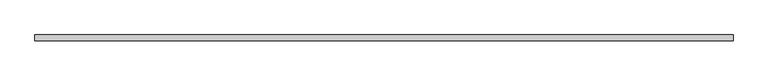
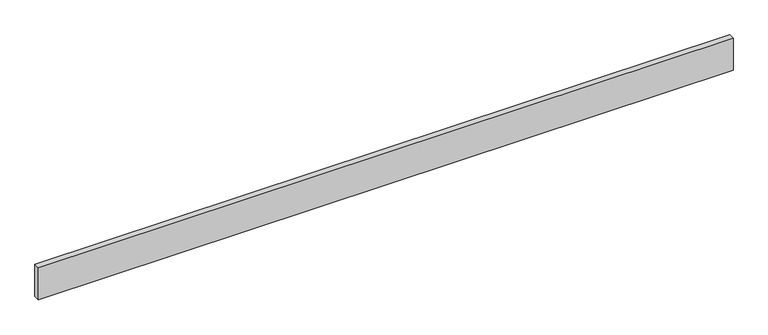
"""IFC4 building model written with IfcOpenShell, lengths in millimetres: beam geometry."""

from ifc_helpers import new_model, si_unit, frame, origin, place, context, project, spatial, polyline, outline, extrude, source, transform, mapped, element, save


def beam_fed905f6(model_context):
    return source(origin(), model_context, "Body", "SweptSolid", [
        extrude(outline(polyline([(2063.6, -18.0), (-2063.6, -18.0), (-2063.6, 18.0), (2063.6, 18.0), (2063.6, -18.0)])), frame((0.0, 0.0, -100.0), z_axis=(0.0, 0.0, 1.0), x_axis=(1.0, 0.0, 0.0)), (0.0, 0.0, 1.0), 200.0),
    ])


if __name__ == "__main__":
    model = new_model("IFC4")
    model_context = context("Model", 3, world=origin())
    ifc_project = project(units=[si_unit("LENGTHUNIT", "METRE", prefix="MILLI")], contexts=[model_context])
    site = spatial("IfcSite", under=ifc_project)
    building = spatial("IfcBuilding", under=site)
    placement = place(None, origin())
    beam_shape = beam_fed905f6(model_context)
    element("IfcBeam", 1, at=placement, inside=building, context=model_context, shape_type="MappedRepresentation", body=[
        mapped(beam_shape, transform((0.0, 0.0, 0.0), x_axis=(1.0, 0.0, 0.0), y_axis=(0.0, 1.0, 0.0), z_axis=(0.0, 0.0, 1.0))),
    ])
    save(model, "model.ifc")
